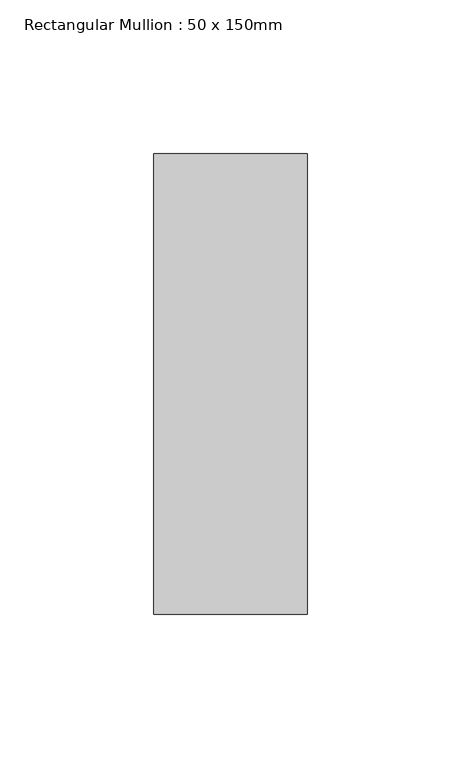
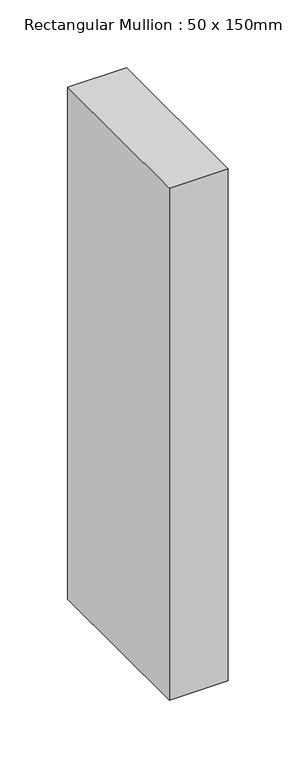
"""IFC4 building model written with IfcOpenShell, lengths in millimetres: member geometry, Rectangular Mullion : 50 x 150mm."""

from ifc_helpers import new_model, si_unit, frame, origin, place, context, project, spatial, polyline, outline, extrude, source, transform, mapped, element, save


def rectangular_mullion_50_x_150mm_c410bb6c(model_context):
    return source(origin(), model_context, "Body", "SweptSolid", [
        extrude(outline(polyline([(25.0, 75.0), (25.0, -75.0), (-25.0, -75.0), (-25.0, 75.0), (25.0, 75.0)])), frame((0.0, 0.0, -460.7783205), z_axis=(0.0, 0.0, 1.0), x_axis=(1.0, 0.0, 0.0)), (0.0, 0.0, 1.0), 460.7783205),
    ])


if __name__ == "__main__":
    model = new_model("IFC4")
    model_context = context("Model", 3, world=origin())
    ifc_project = project(units=[si_unit("LENGTHUNIT", "METRE", prefix="MILLI")], contexts=[model_context])
    site = spatial("IfcSite", under=ifc_project)
    building = spatial("IfcBuilding", under=site)
    placement = place(None, origin())
    rectangular_mullion_50_x_150mm_shape = rectangular_mullion_50_x_150mm_c410bb6c(model_context)
    element("IfcMember", 1, ObjectType="Rectangular Mullion : 50 x 150mm", at=placement, inside=building, context=model_context, shape_type="MappedRepresentation", body=[
        mapped(rectangular_mullion_50_x_150mm_shape, transform((0.0, 0.0, 0.0), x_axis=(1.0, 0.0, 0.0), y_axis=(0.0, 1.0, 0.0), z_axis=(0.0, 0.0, 1.0))),
    ])
    save(model, "model.ifc")
